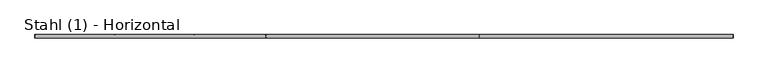
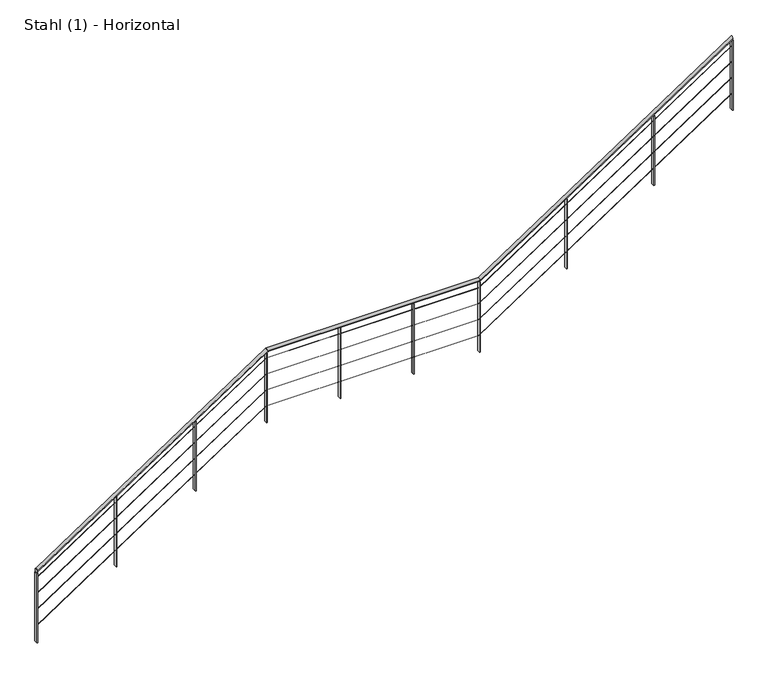
"""IFC4 building model written with IfcOpenShell, lengths in millimetres: railing geometry, Stahl (1) - Horizontal."""

from ifc_helpers import new_model, si_unit, frame, origin, place, context, project, spatial, polyline, ellipse_curve, outline, extrude, source, transform, mapped, element, save
from ifc_brep_helpers import plane_surface, cylinder_surface, advanced_brep


def stahl_1_horizontal_98af45b4(model_context):
    return source(origin(), model_context, "Body", "SolidModel", [
        advanced_brep(
        [(-13543.4454567, 4905.5303268, 976.9604138), (-13543.4454567, 4865.5303268, 976.9604138), (-10806.4683569, 4905.5303268, 2790.4761905), (-10806.4683569, 4865.5303268, 2790.4761905), (-8279.563595, 4905.5303268, 2790.4761905), (-8279.563595, 4865.5303268, 2790.4761905), (-5281.5406948, 4905.5303268, 4776.9604138), (-5281.5406948, 4865.5303268, 4776.9604138)],
        [
            (0, 1, ellipse_curve(frame((-13543.4454567, 4885.5303268, 976.9604138), z_axis=(-1.0, 0.0, 0.0), x_axis=(0.0, 0.0, -1.0)), 23.9919671, 20.0)),
            (1, 0, ellipse_curve(frame((-13543.4454567, 4885.5303268, 976.9604138), z_axis=(-1.0, 0.0, 0.0), x_axis=(0.0, 0.0, -1.0)), 23.9919671, 20.0)),
            (0, 2),
            (2, 3, ellipse_curve(frame((-10806.4683569, 4885.5303268, 2790.4761905), z_axis=(-0.9574999596457312, 0.0, -0.28843340180780574), x_axis=(0.28843340180780563, 0.0, -0.9574999596457314)), 20.8877293, 20.0)),
            (3, 1),
            (3, 2, ellipse_curve(frame((-10806.4683569, 4885.5303268, 2790.4761905), z_axis=(-0.9574999596457312, 0.0, -0.28843340180780574), x_axis=(0.28843340180780563, 0.0, -0.9574999596457314)), 20.8877293, 20.0)),
            (2, 4),
            (4, 5, ellipse_curve(frame((-8279.563595, 4885.5303268, 2790.4761905), z_axis=(-0.9574999596457308, 0.0, -0.2884334018078074), x_axis=(-0.288433401807807, 0.0, 0.9574999596457308)), 20.8877293, 20.0)),
            (5, 3),
            (5, 4, ellipse_curve(frame((-8279.563595, 4885.5303268, 2790.4761905), z_axis=(-0.9574999596457308, 0.0, -0.2884334018078074), x_axis=(-0.288433401807807, 0.0, 0.9574999596457308)), 20.8877293, 20.0)),
            (6, 7, ellipse_curve(frame((-5281.5406948, 4885.5303268, 4776.9604138), z_axis=(1.0, 0.0, 0.0), x_axis=(0.0, 0.0, -1.0)), 23.9919671, 20.0)),
            (7, 6, ellipse_curve(frame((-5281.5406948, 4885.5303268, 4776.9604138), z_axis=(1.0, 0.0, 0.0), x_axis=(0.0, 0.0, -1.0)), 23.9919671, 20.0)),
            (4, 6),
            (7, 5),
        ],
        [
            plane_surface(frame((-13543.4454567, 4885.5303268, 1000.952381), z_axis=(-1.0, 0.0, 0.0), x_axis=(0.0, 1.0, 0.0))),
            cylinder_surface(frame((-13532.3984579, 4885.5303268, 984.280134), z_axis=(-0.8336123454431538, 0.0, -0.5523499411829099), x_axis=(0.0, -1.0, 0.0)), 20.0),
            cylinder_surface(frame((-10812.4930758, 4885.5303268, 2790.4761905), z_axis=(-1.0, 0.0, 0.0), x_axis=(0.0, -1.0, 0.0)), 20.0),
            plane_surface(frame((-5281.5406948, 4885.5303268, 4800.952381), z_axis=(1.0, 0.0, 0.0), x_axis=(0.0, 1.0, 0.0))),
            cylinder_surface(frame((-8274.541315, 4885.5303268, 2793.8039436), z_axis=(-0.833612345443152, 0.0, -0.5523499411829128), x_axis=(0.0, -1.0, 0.0)), 20.0),
        ],
        [
            (0, [[1, 2]]),
            (1, [[-1, 3, 4, 5]]),
            (1, [[-2, -5, 6, -3]]),
            (2, [[-4, 7, 8, 9]]),
            (2, [[-6, -9, 10, -7]]),
            (3, [[11, 12]]),
            (4, [[-8, 13, -12, 14]]),
            (4, [[-10, -14, -11, -13]]),
        ],
    ),
        advanced_brep(
        [(-13543.4454567, 4887.0303268, 879.1529834), (-13543.4454567, 4884.0303268, 879.1529834), (-10812.0412219, 4887.0303268, 2688.9761905), (-10812.0412219, 4884.0303268, 2688.9761905), (-8285.1364599, 4887.0303268, 2688.9761905), (-8285.1364599, 4884.0303268, 2688.9761905), (-5281.5406948, 4887.0303268, 4679.1529834), (-5281.5406948, 4884.0303268, 4679.1529834)],
        [
            (0, 1, ellipse_curve(frame((-13543.4454567, 4885.5303268, 879.1529834), z_axis=(-1.0, 0.0, 0.0), x_axis=(0.0, 0.0, -1.0)), 1.7993975, 1.5)),
            (1, 0, ellipse_curve(frame((-13543.4454567, 4885.5303268, 879.1529834), z_axis=(-1.0, 0.0, 0.0), x_axis=(0.0, 0.0, -1.0)), 1.7993975, 1.5)),
            (0, 2),
            (2, 3, ellipse_curve(frame((-10812.0412219, 4885.5303268, 2688.9761905), z_axis=(-0.9574999596457312, 0.0, -0.28843340180780574), x_axis=(0.28843340180780563, 0.0, -0.9574999596457314)), 1.5665797, 1.5)),
            (3, 1),
            (3, 2, ellipse_curve(frame((-10812.0412219, 4885.5303268, 2688.9761905), z_axis=(-0.9574999596457312, 0.0, -0.28843340180780574), x_axis=(0.28843340180780563, 0.0, -0.9574999596457314)), 1.5665797, 1.5)),
            (2, 4),
            (4, 5, ellipse_curve(frame((-8285.1364599, 4885.5303268, 2688.9761905), z_axis=(-0.9574999596457308, 0.0, -0.2884334018078074), x_axis=(-0.288433401807807, 0.0, 0.9574999596457308)), 1.5665797, 1.5)),
            (5, 3),
            (5, 4, ellipse_curve(frame((-8285.1364599, 4885.5303268, 2688.9761905), z_axis=(-0.9574999596457308, 0.0, -0.2884334018078074), x_axis=(-0.288433401807807, 0.0, 0.9574999596457308)), 1.5665797, 1.5)),
            (6, 7, ellipse_curve(frame((-5281.5406948, 4885.5303268, 4679.1529834), z_axis=(1.0, 0.0, 0.0), x_axis=(0.0, 0.0, -1.0)), 1.7993975, 1.5)),
            (7, 6, ellipse_curve(frame((-5281.5406948, 4885.5303268, 4679.1529834), z_axis=(1.0, 0.0, 0.0), x_axis=(0.0, 0.0, -1.0)), 1.7993975, 1.5)),
            (4, 6),
            (7, 5),
        ],
        [
            plane_surface(frame((-13543.4454567, 4885.5303268, 880.952381), z_axis=(-1.0, 0.0, 0.0), x_axis=(0.0, 1.0, 0.0))),
            cylinder_surface(frame((-13542.6169318, 4885.5303268, 879.7019624), z_axis=(-0.8336123454431538, 0.0, -0.5523499411829099), x_axis=(0.0, -1.0, 0.0)), 1.5),
            cylinder_surface(frame((-10812.4930758, 4885.5303268, 2688.9761905), z_axis=(-1.0, 0.0, 0.0), x_axis=(0.0, -1.0, 0.0)), 1.5),
            plane_surface(frame((-5281.5406948, 4885.5303268, 4680.952381), z_axis=(1.0, 0.0, 0.0), x_axis=(0.0, 1.0, 0.0))),
            cylinder_surface(frame((-8284.7597889, 4885.5303268, 2689.225772), z_axis=(-0.833612345443152, 0.0, -0.5523499411829128), x_axis=(0.0, -1.0, 0.0)), 1.5),
        ],
        [
            (0, [[1, 2]]),
            (1, [[-1, 3, 4, 5]]),
            (1, [[-2, -5, 6, -3]]),
            (2, [[-4, 7, 8, 9]]),
            (2, [[-6, -9, 10, -7]]),
            (3, [[11, 12]]),
            (4, [[-8, 13, -12, 14]]),
            (4, [[-10, -14, -11, -13]]),
        ],
    ),
        advanced_brep(
        [(-13543.4454567, 4887.0303268, 679.1529834), (-13543.4454567, 4884.0303268, 679.1529834), (-10812.0412219, 4887.0303268, 2488.9761905), (-10812.0412219, 4884.0303268, 2488.9761905), (-8285.1364599, 4887.0303268, 2488.9761905), (-8285.1364599, 4884.0303268, 2488.9761905), (-5281.5406948, 4887.0303268, 4479.1529834), (-5281.5406948, 4884.0303268, 4479.1529834)],
        [
            (0, 1, ellipse_curve(frame((-13543.4454567, 4885.5303268, 679.1529834), z_axis=(-1.0, 0.0, 0.0), x_axis=(0.0, 0.0, -1.0)), 1.7993975, 1.5)),
            (1, 0, ellipse_curve(frame((-13543.4454567, 4885.5303268, 679.1529834), z_axis=(-1.0, 0.0, 0.0), x_axis=(0.0, 0.0, -1.0)), 1.7993975, 1.5)),
            (0, 2),
            (2, 3, ellipse_curve(frame((-10812.0412219, 4885.5303268, 2488.9761905), z_axis=(-0.9574999596457312, 0.0, -0.28843340180780574), x_axis=(0.28843340180780563, 0.0, -0.9574999596457314)), 1.5665797, 1.5)),
            (3, 1),
            (3, 2, ellipse_curve(frame((-10812.0412219, 4885.5303268, 2488.9761905), z_axis=(-0.9574999596457312, 0.0, -0.28843340180780574), x_axis=(0.28843340180780563, 0.0, -0.9574999596457314)), 1.5665797, 1.5)),
            (2, 4),
            (4, 5, ellipse_curve(frame((-8285.1364599, 4885.5303268, 2488.9761905), z_axis=(-0.9574999596457308, 0.0, -0.2884334018078074), x_axis=(-0.288433401807807, 0.0, 0.9574999596457308)), 1.5665797, 1.5)),
            (5, 3),
            (5, 4, ellipse_curve(frame((-8285.1364599, 4885.5303268, 2488.9761905), z_axis=(-0.9574999596457308, 0.0, -0.2884334018078074), x_axis=(-0.288433401807807, 0.0, 0.9574999596457308)), 1.5665797, 1.5)),
            (6, 7, ellipse_curve(frame((-5281.5406948, 4885.5303268, 4479.1529834), z_axis=(1.0, 0.0, 0.0), x_axis=(0.0, 0.0, -1.0)), 1.7993975, 1.5)),
            (7, 6, ellipse_curve(frame((-5281.5406948, 4885.5303268, 4479.1529834), z_axis=(1.0, 0.0, 0.0), x_axis=(0.0, 0.0, -1.0)), 1.7993975, 1.5)),
            (4, 6),
            (7, 5),
        ],
        [
            plane_surface(frame((-13543.4454567, 4885.5303268, 680.952381), z_axis=(-1.0, 0.0, 0.0), x_axis=(0.0, 1.0, 0.0))),
            cylinder_surface(frame((-13542.6169318, 4885.5303268, 679.7019624), z_axis=(-0.8336123454431538, 0.0, -0.5523499411829099), x_axis=(0.0, -1.0, 0.0)), 1.5),
            cylinder_surface(frame((-10812.4930758, 4885.5303268, 2488.9761905), z_axis=(-1.0, 0.0, 0.0), x_axis=(0.0, -1.0, 0.0)), 1.5),
            plane_surface(frame((-5281.5406948, 4885.5303268, 4480.952381), z_axis=(1.0, 0.0, 0.0), x_axis=(0.0, 1.0, 0.0))),
            cylinder_surface(frame((-8284.7597889, 4885.5303268, 2489.225772), z_axis=(-0.833612345443152, 0.0, -0.5523499411829128), x_axis=(0.0, -1.0, 0.0)), 1.5),
        ],
        [
            (0, [[1, 2]]),
            (1, [[-1, 3, 4, 5]]),
            (1, [[-2, -5, 6, -3]]),
            (2, [[-4, 7, 8, 9]]),
            (2, [[-6, -9, 10, -7]]),
            (3, [[11, 12]]),
            (4, [[-8, 13, -12, 14]]),
            (4, [[-10, -14, -11, -13]]),
        ],
    ),
        advanced_brep(
        [(-13543.4454567, 4887.0303268, 479.1529834), (-13543.4454567, 4884.0303268, 479.1529834), (-10812.0412219, 4887.0303268, 2288.9761905), (-10812.0412219, 4884.0303268, 2288.9761905), (-8285.1364599, 4887.0303268, 2288.9761905), (-8285.1364599, 4884.0303268, 2288.9761905), (-5281.5406948, 4887.0303268, 4279.1529834), (-5281.5406948, 4884.0303268, 4279.1529834)],
        [
            (0, 1, ellipse_curve(frame((-13543.4454567, 4885.5303268, 479.1529834), z_axis=(-1.0, 0.0, 0.0), x_axis=(0.0, 0.0, -1.0)), 1.7993975, 1.5)),
            (1, 0, ellipse_curve(frame((-13543.4454567, 4885.5303268, 479.1529834), z_axis=(-1.0, 0.0, 0.0), x_axis=(0.0, 0.0, -1.0)), 1.7993975, 1.5)),
            (0, 2),
            (2, 3, ellipse_curve(frame((-10812.0412219, 4885.5303268, 2288.9761905), z_axis=(-0.9574999596457312, 0.0, -0.28843340180780574), x_axis=(0.28843340180780563, 0.0, -0.9574999596457314)), 1.5665797, 1.5)),
            (3, 1),
            (3, 2, ellipse_curve(frame((-10812.0412219, 4885.5303268, 2288.9761905), z_axis=(-0.9574999596457312, 0.0, -0.28843340180780574), x_axis=(0.28843340180780563, 0.0, -0.9574999596457314)), 1.5665797, 1.5)),
            (2, 4),
            (4, 5, ellipse_curve(frame((-8285.1364599, 4885.5303268, 2288.9761905), z_axis=(-0.9574999596457308, 0.0, -0.2884334018078074), x_axis=(-0.288433401807807, 0.0, 0.9574999596457308)), 1.5665797, 1.5)),
            (5, 3),
            (5, 4, ellipse_curve(frame((-8285.1364599, 4885.5303268, 2288.9761905), z_axis=(-0.9574999596457308, 0.0, -0.2884334018078074), x_axis=(-0.288433401807807, 0.0, 0.9574999596457308)), 1.5665797, 1.5)),
            (6, 7, ellipse_curve(frame((-5281.5406948, 4885.5303268, 4279.1529834), z_axis=(1.0, 0.0, 0.0), x_axis=(0.0, 0.0, -1.0)), 1.7993975, 1.5)),
            (7, 6, ellipse_curve(frame((-5281.5406948, 4885.5303268, 4279.1529834), z_axis=(1.0, 0.0, 0.0), x_axis=(0.0, 0.0, -1.0)), 1.7993975, 1.5)),
            (4, 6),
            (7, 5),
        ],
        [
            plane_surface(frame((-13543.4454567, 4885.5303268, 480.952381), z_axis=(-1.0, 0.0, 0.0), x_axis=(0.0, 1.0, 0.0))),
            cylinder_surface(frame((-13542.6169318, 4885.5303268, 479.7019624), z_axis=(-0.8336123454431538, 0.0, -0.5523499411829099), x_axis=(0.0, -1.0, 0.0)), 1.5),
            cylinder_surface(frame((-10812.4930758, 4885.5303268, 2288.9761905), z_axis=(-1.0, 0.0, 0.0), x_axis=(0.0, -1.0, 0.0)), 1.5),
            plane_surface(frame((-5281.5406948, 4885.5303268, 4280.952381), z_axis=(1.0, 0.0, 0.0), x_axis=(0.0, 1.0, 0.0))),
            cylinder_surface(frame((-8284.7597889, 4885.5303268, 2289.225772), z_axis=(-0.833612345443152, 0.0, -0.5523499411829128), x_axis=(0.0, -1.0, 0.0)), 1.5),
        ],
        [
            (0, [[1, 2]]),
            (1, [[-1, 3, 4, 5]]),
            (1, [[-2, -5, 6, -3]]),
            (2, [[-4, 7, 8, 9]]),
            (2, [[-6, -9, 10, -7]]),
            (3, [[11, 12]]),
            (4, [[-8, 13, -12, 14]]),
            (4, [[-10, -14, -11, -13]]),
        ],
    ),
        advanced_brep(
        [(-13543.4454567, 4887.0303268, 279.1529834), (-13543.4454567, 4884.0303268, 279.1529834), (-10812.0412219, 4887.0303268, 2088.9761905), (-10812.0412219, 4884.0303268, 2088.9761905), (-8285.1364599, 4887.0303268, 2088.9761905), (-8285.1364599, 4884.0303268, 2088.9761905), (-5281.5406948, 4887.0303268, 4079.1529834), (-5281.5406948, 4884.0303268, 4079.1529834)],
        [
            (0, 1, ellipse_curve(frame((-13543.4454567, 4885.5303268, 279.1529834), z_axis=(-1.0, 0.0, 0.0), x_axis=(0.0, 0.0, -1.0)), 1.7993975, 1.5)),
            (1, 0, ellipse_curve(frame((-13543.4454567, 4885.5303268, 279.1529834), z_axis=(-1.0, 0.0, 0.0), x_axis=(0.0, 0.0, -1.0)), 1.7993975, 1.5)),
            (0, 2),
            (2, 3, ellipse_curve(frame((-10812.0412219, 4885.5303268, 2088.9761905), z_axis=(-0.9574999596457312, 0.0, -0.28843340180780574), x_axis=(0.28843340180780563, 0.0, -0.9574999596457314)), 1.5665797, 1.5)),
            (3, 1),
            (3, 2, ellipse_curve(frame((-10812.0412219, 4885.5303268, 2088.9761905), z_axis=(-0.9574999596457312, 0.0, -0.28843340180780574), x_axis=(0.28843340180780563, 0.0, -0.9574999596457314)), 1.5665797, 1.5)),
            (2, 4),
            (4, 5, ellipse_curve(frame((-8285.1364599, 4885.5303268, 2088.9761905), z_axis=(-0.9574999596457308, 0.0, -0.2884334018078074), x_axis=(-0.288433401807807, 0.0, 0.9574999596457308)), 1.5665797, 1.5)),
            (5, 3),
            (5, 4, ellipse_curve(frame((-8285.1364599, 4885.5303268, 2088.9761905), z_axis=(-0.9574999596457308, 0.0, -0.2884334018078074), x_axis=(-0.288433401807807, 0.0, 0.9574999596457308)), 1.5665797, 1.5)),
            (6, 7, ellipse_curve(frame((-5281.5406948, 4885.5303268, 4079.1529834), z_axis=(1.0, 0.0, 0.0), x_axis=(0.0, 0.0, -1.0)), 1.7993975, 1.5)),
            (7, 6, ellipse_curve(frame((-5281.5406948, 4885.5303268, 4079.1529834), z_axis=(1.0, 0.0, 0.0), x_axis=(0.0, 0.0, -1.0)), 1.7993975, 1.5)),
            (4, 6),
            (7, 5),
        ],
        [
            plane_surface(frame((-13543.4454567, 4885.5303268, 280.952381), z_axis=(-1.0, 0.0, 0.0), x_axis=(0.0, 1.0, 0.0))),
            cylinder_surface(frame((-13542.6169318, 4885.5303268, 279.7019624), z_axis=(-0.8336123454431538, 0.0, -0.5523499411829099), x_axis=(0.0, -1.0, 0.0)), 1.5),
            cylinder_surface(frame((-10812.4930758, 4885.5303268, 2088.9761905), z_axis=(-1.0, 0.0, 0.0), x_axis=(0.0, -1.0, 0.0)), 1.5),
            plane_surface(frame((-5281.5406948, 4885.5303268, 4080.952381), z_axis=(1.0, 0.0, 0.0), x_axis=(0.0, 1.0, 0.0))),
            cylinder_surface(frame((-8284.7597889, 4885.5303268, 2089.225772), z_axis=(-0.833612345443152, 0.0, -0.5523499411829128), x_axis=(0.0, -1.0, 0.0)), 1.5),
        ],
        [
            (0, [[1, 2]]),
            (1, [[-1, 3, 4, 5]]),
            (1, [[-2, -5, 6, -3]]),
            (2, [[-4, 7, 8, 9]]),
            (2, [[-6, -9, 10, -7]]),
            (3, [[11, 12]]),
            (4, [[-8, 13, -12, 14]]),
            (4, [[-10, -14, -11, -13]]),
        ],
    ),
        extrude(outline(polyline([(4132.5840642, -6217.8313352), (3263.2183908, -6217.8313352), (3263.2183908, -6209.8313352), (4137.8848489, -6209.8313352), (4132.5840642, -6217.8313352)])), frame((0.0, 4865.5303268, 0.0), z_axis=(0.0, 1.0, 0.0), x_axis=(0.0, 0.0, 1.0)), (0.0, 0.0, 1.0), 40.0),
        extrude(outline(polyline([(3446.212964, -7253.7098245), (2576.8472906, -7253.7098245), (2576.8472906, -7245.7098245), (3451.5137487, -7245.7098245), (3446.212964, -7253.7098245)])), frame((0.0, 4865.5303268, 0.0), z_axis=(0.0, 1.0, 0.0), x_axis=(0.0, 0.0, 1.0)), (0.0, 0.0, 1.0), 40.0),
        extrude(outline(polyline([(-9073.8001365, 4865.5303268), (-9073.8001365, 4905.5303268), (-9065.8001365, 4905.5303268), (-9065.8001365, 4865.5303268), (-9073.8001365, 4865.5303268)])), frame((0.0, 0.0, 1890.4761905), z_axis=(0.0, 0.0, 1.0), x_axis=(1.0, 0.0, 0.0)), (0.0, 0.0, 1.0), 880.0),
        extrude(outline(polyline([(-9945.1466061, 4865.5303268), (-9945.1466061, 4905.5303268), (-9937.1466061, 4905.5303268), (-9937.1466061, 4865.5303268), (-9945.1466061, 4865.5303268)])), frame((0.0, 0.0, 1890.4761905), z_axis=(0.0, 0.0, 1.0), x_axis=(1.0, 0.0, 0.0)), (0.0, 0.0, 1.0), 880.0),
        extrude(outline(polyline([(2198.2655092, -11664.0300216), (1328.8998358, -11664.0300216), (1328.8998358, -11656.0300216), (2203.5662938, -11656.0300216), (2198.2655092, -11664.0300216)])), frame((0.0, 4865.5303268, 0.0), z_axis=(0.0, 1.0, 0.0), x_axis=(0.0, 0.0, 1.0)), (0.0, 0.0, 1.0), 40.0),
        extrude(outline(polyline([(1574.2917818, -12605.7377391), (704.9261084, -12605.7377391), (704.9261084, -12597.7377391), (1579.5925664, -12597.7377391), (1574.2917818, -12605.7377391)])), frame((0.0, 4865.5303268, 0.0), z_axis=(0.0, 1.0, 0.0), x_axis=(0.0, 0.0, 1.0)), (0.0, 0.0, 1.0), 40.0),
        extrude(outline(polyline([(-8289.5883139, 4865.5303268), (-8289.5883139, 4905.5303268), (-8281.5883139, 4905.5303268), (-8281.5883139, 4865.5303268), (-8289.5883139, 4865.5303268)])), frame((0.0, 0.0, 1890.4761905), z_axis=(0.0, 0.0, 1.0), x_axis=(1.0, 0.0, 0.0)), (0.0, 0.0, 1.0), 880.0),
        extrude(outline(polyline([(2759.8418639, -10816.4930758), (1890.4761905, -10816.4930758), (1890.4761905, -10808.4930758), (2765.1426485, -10808.4930758), (2759.8418639, -10816.4930758)])), frame((0.0, 4865.5303268, 0.0), z_axis=(0.0, 1.0, 0.0), x_axis=(0.0, 0.0, 1.0)), (0.0, 0.0, 1.0), 40.0),
        extrude(outline(polyline([(4750.3180543, -5285.5406948), (3880.952381, -5285.5406948), (3880.952381, -5277.5406948), (4755.618839, -5277.5406948), (4750.3180543, -5285.5406948)])), frame((0.0, 4865.5303268, 0.0), z_axis=(0.0, 1.0, 0.0), x_axis=(0.0, 0.0, 1.0)), (0.0, 0.0, 1.0), 40.0),
        extrude(outline(polyline([(950.3180543, -13547.4454567), (80.952381, -13547.4454567), (80.952381, -13539.4454567), (955.618839, -13539.4454567), (950.3180543, -13547.4454567)])), frame((0.0, 4865.5303268, 0.0), z_axis=(0.0, 1.0, 0.0), x_axis=(0.0, 0.0, 1.0)), (0.0, 0.0, 1.0), 40.0),
    ])


if __name__ == "__main__":
    model = new_model("IFC4")
    model_context = context("Model", 3, world=origin())
    ifc_project = project(units=[si_unit("LENGTHUNIT", "METRE", prefix="MILLI")], contexts=[model_context])
    site = spatial("IfcSite", under=ifc_project)
    building = spatial("IfcBuilding", under=site)
    placement = place(None, origin())
    stahl_1_horizontal_shape = stahl_1_horizontal_98af45b4(model_context)
    element("IfcRailing", 1, ObjectType="Stahl (1) - Horizontal", at=placement, inside=building, context=model_context, shape_type="MappedRepresentation", body=[
        mapped(stahl_1_horizontal_shape, transform((0.0, 0.0, 0.0), x_axis=(1.0, 0.0, 0.0), y_axis=(0.0, 1.0, 0.0), z_axis=(0.0, 0.0, 1.0))),
    ])
    save(model, "model.ifc")
